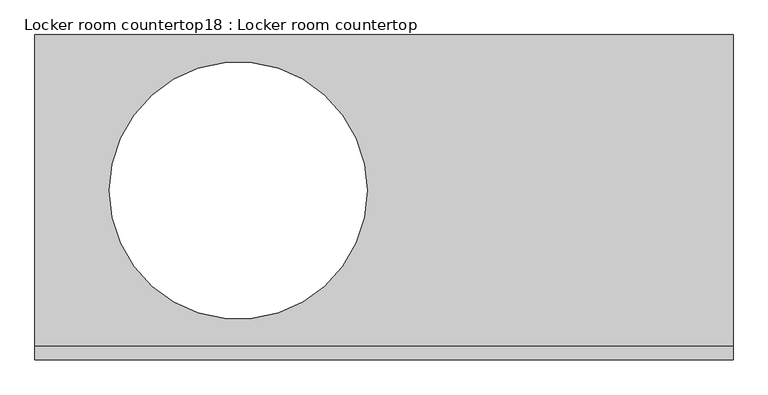
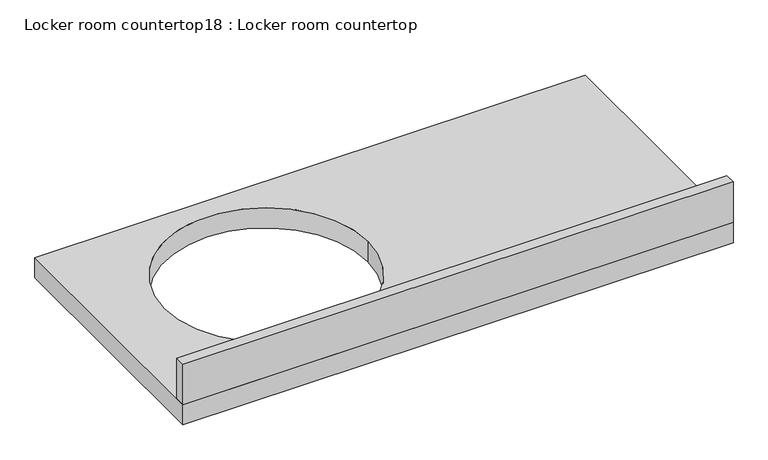
"""IFC4 building model written with IfcOpenShell, lengths in millimetres: furniture geometry, Locker room countertop18 : Locker room countertop."""

from ifc_helpers import new_model, si_unit, point, frame, frame_2d, origin, place, context, project, spatial, polyline, circle_curve, trimmed, segment, composite_curve, outline, extrude, source, transform, mapped, element, save


def locker_room_countertop18_locker_room_countertop_c6b51b0d(model_context):
    return source(origin(), model_context, "Body", "SweptSolid", [
        extrude(outline(polyline([(163886.9379676, -348007.7955223), (165195.0379676, -348007.7955223), (165195.0379676, -348033.1955223), (163886.9379676, -348033.1955223), (163886.9379676, -348007.7955223)])), frame((0.0, 0.0, 914.4), z_axis=(0.0, 0.0, 1.0), x_axis=(1.0, 0.0, 0.0)), (0.0, 0.0, 1.0), 101.6),
        extrude(outline(polyline([(163886.9379676, -347423.5955223), (165195.0379676, -347423.5955223), (165195.0379676, -348033.1955223), (163886.9379676, -348033.1955223), (163886.9379676, -347423.5955223)]), holes=[composite_curve([segment(trimmed(circle_curve(frame_2d((164267.9379676, -347715.6955223)), 241.3), [point((164026.6379676, -347715.6955223))], [point((164509.2379676, -347715.6955223))], True, "CARTESIAN"), True, "CONTINUOUS"), segment(trimmed(circle_curve(frame_2d((164267.9379676, -347715.6955223)), 241.3), [point((164509.2379676, -347715.6955223))], [point((164026.6379676, -347715.6955223))], True, "CARTESIAN"), True, "CONTINUOUS")], self_intersect=False)]), frame((0.0, 0.0, 863.6), z_axis=(0.0, 0.0, 1.0), x_axis=(1.0, 0.0, 0.0)), (0.0, 0.0, 1.0), 50.8),
    ])


if __name__ == "__main__":
    model = new_model("IFC4")
    model_context = context("Model", 3, world=origin())
    ifc_project = project(units=[si_unit("LENGTHUNIT", "METRE", prefix="MILLI")], contexts=[model_context])
    site = spatial("IfcSite", under=ifc_project)
    building = spatial("IfcBuilding", under=site)
    placement = place(None, origin())
    locker_room_countertop18_locker_room_countertop_shape = locker_room_countertop18_locker_room_countertop_c6b51b0d(model_context)
    element("IfcFurniture", 1, ObjectType="Locker room countertop18 : Locker room countertop", at=placement, inside=building, context=model_context, shape_type="MappedRepresentation", body=[
        mapped(locker_room_countertop18_locker_room_countertop_shape, transform((0.0, 0.0, 0.0), x_axis=(1.0, 0.0, 0.0), y_axis=(0.0, 1.0, 0.0), z_axis=(0.0, 0.0, 1.0))),
    ])
    save(model, "model.ifc")
